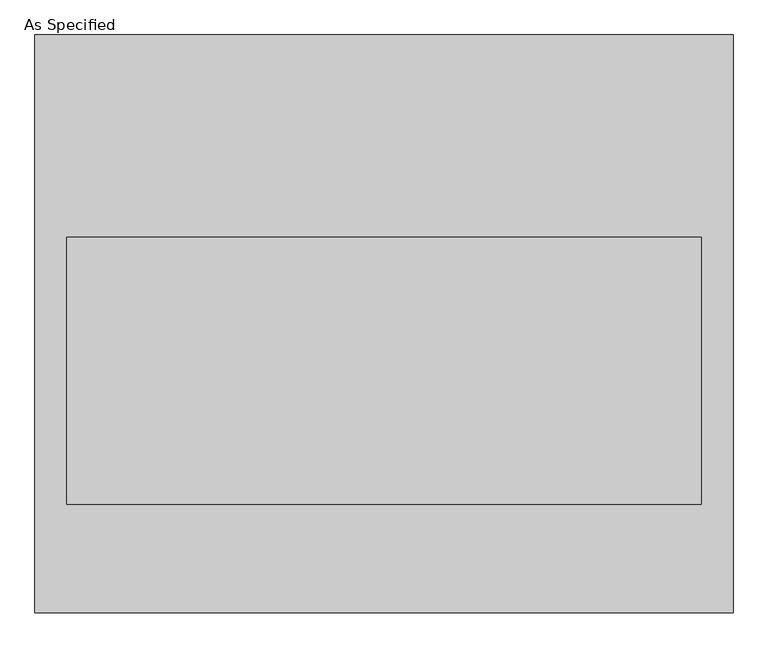
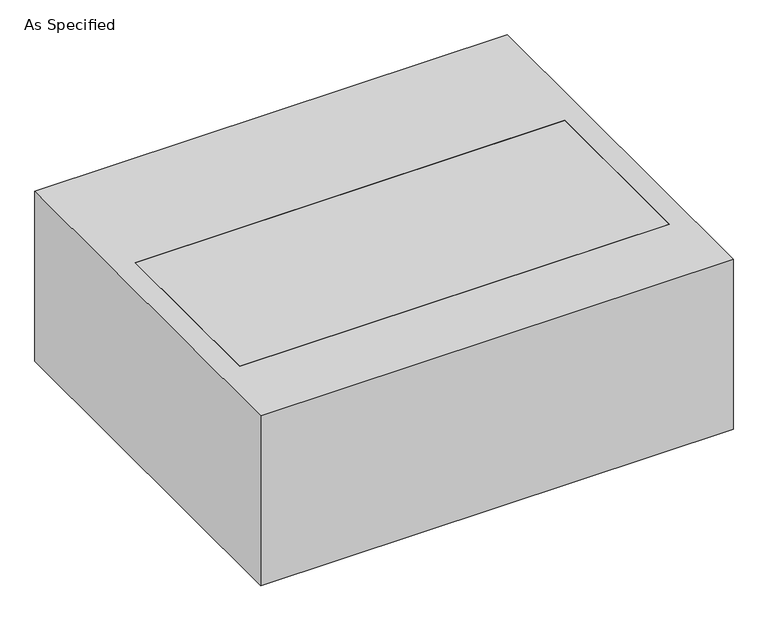
"""IFC4 building model written with IfcOpenShell, lengths in millimetres: proxy geometry, As Specified."""

from ifc_helpers import new_model, si_unit, frame, origin, place, context, project, spatial, polyline, outline, extrude, faceted_brep, source, transform, mapped, element, save


def as_specified_47d14436(model_context):
    return source(origin(), model_context, "Body", "SolidModel", [
        faceted_brep([(-663.575, 549.275, -25.4), (-663.575, 549.275, -530.225), (-663.575, -549.275, -530.225), (-663.575, -549.275, -25.4), (-603.25, 165.1, -25.4), (-603.25, -342.9, -25.4), (-603.25, -342.9, -373.0625), (-603.25, 165.1, -373.0625), (663.575, 549.275, -25.4), (663.575, -549.275, -25.4), (603.25, 165.1, -25.4), (603.25, -342.9, -25.4), (663.575, -549.275, -530.225), (663.575, 549.275, -530.225), (603.25, 165.1, -373.0625), (603.25, -342.9, -373.0625)], [[[0, 1, 2, 3]], [[4, 5, 6, 7]], [[8, 0, 3, 9], [5, 4, 10, 11]], [[8, 9, 12, 13]], [[12, 9, 3, 2]], [[13, 12, 2, 1]], [[8, 13, 1, 0]], [[4, 7, 14, 10]], [[7, 6, 15, 14]], [[6, 5, 11, 15]], [[11, 10, 14, 15]]]),
        extrude(outline(polyline([(603.25, 165.1), (603.25, -342.9), (-603.25, -342.9), (-603.25, 165.1), (603.25, 165.1)])), frame((0.0, 0.0, -373.0625), z_axis=(0.0, 0.0, 1.0), x_axis=(1.0, 0.0, 0.0)), (0.0, 0.0, 1.0), 347.6625),
    ])


if __name__ == "__main__":
    model = new_model("IFC4")
    model_context = context("Model", 3, world=origin())
    ifc_project = project(units=[si_unit("LENGTHUNIT", "METRE", prefix="MILLI")], contexts=[model_context])
    site = spatial("IfcSite", under=ifc_project)
    building = spatial("IfcBuilding", under=site)
    placement = place(None, origin())
    as_specified_shape = as_specified_47d14436(model_context)
    element("IfcBuildingElementProxy", 1, Name="As Specified", ObjectType="As Specified", at=placement, inside=building, context=model_context, shape_type="MappedRepresentation", body=[
        mapped(as_specified_shape, transform((0.0, 0.0, 0.0), x_axis=(1.0, 0.0, 0.0), y_axis=(0.0, 1.0, 0.0), z_axis=(0.0, 0.0, 1.0))),
    ])
    save(model, "model.ifc")
